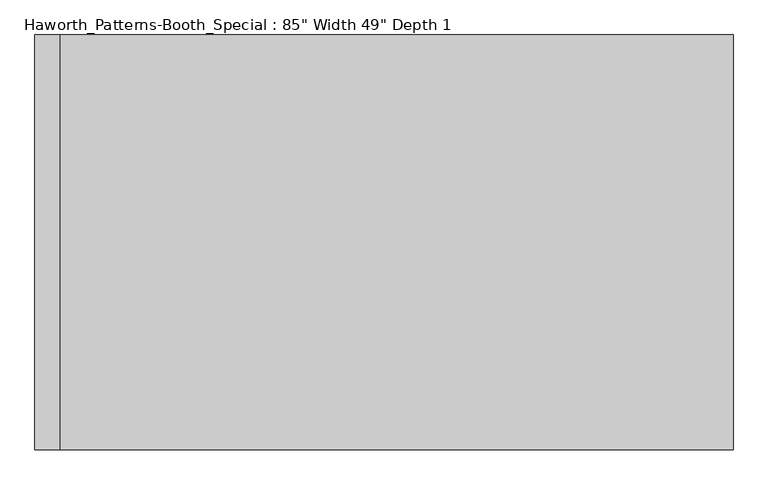
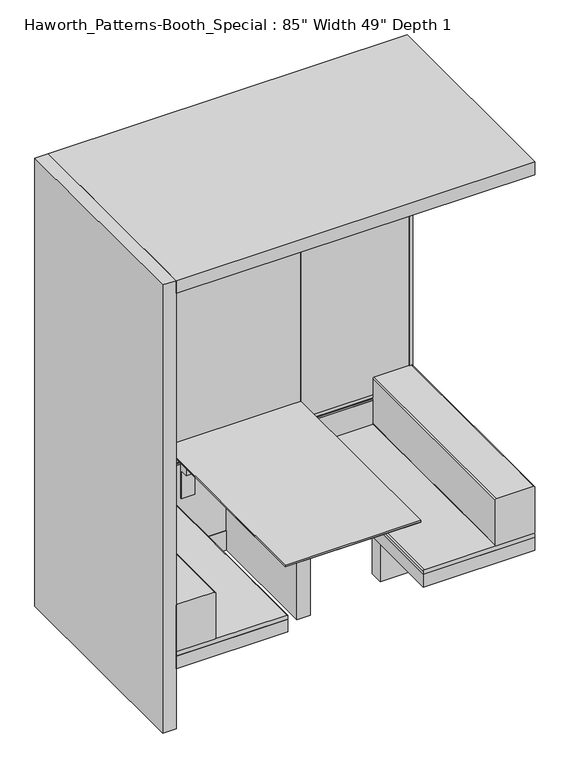
"""IFC4 building model written with IfcOpenShell, lengths in millimetres: furniture geometry."""

from ifc_helpers import new_model, si_unit, point, frame, frame_2d, origin, origin_with_axes, place, context, project, spatial, polyline, circle_curve, trimmed, segment, composite_curve, outline, extrude, faceted_brep, source, transform, mapped, element, save


def furniture_2e39aa74(model_context):
    return source(origin(), model_context, "Body", "SolidModel", [
        extrude(outline(polyline([(-141.6049558, 704.5452221), (-141.6049558, 706.6280165), (-49.5299513, 706.6280165), (-49.5299513, 396.8847862), (-57.6579518, 396.8847862), (-57.6579518, 564.8452221), (-105.409988, 564.8452221), (-105.409988, 704.5452221), (-141.6049558, 704.5452221)])), frame((219.075, 0.0, 0.0), z_axis=(1.0, 0.0, 0.0), x_axis=(0.0, 1.0, 0.0)), (0.0, 0.0, 1.0), 76.2),
        extrude(outline(polyline([(-141.6049558, 704.5452221), (-141.6049558, 706.6280165), (-49.5299513, 706.6280165), (-49.5299513, 396.8847862), (-57.6579518, 396.8847862), (-57.6579518, 564.8452221), (-105.409988, 564.8452221), (-105.409988, 704.5452221), (-141.6049558, 704.5452221)])), frame((-295.275, 0.0, 0.0), z_axis=(1.0, 0.0, 0.0), x_axis=(0.0, 1.0, 0.0)), (0.0, 0.0, 1.0), 76.2),
        extrude(outline(polyline([(-990.6, -20.9549513), (-990.6, -24.1299513), (-1009.65, -24.1299513), (-1009.65, -20.9549513), (-990.6, -20.9549513)])), frame((0.0, 0.0, 114.3046991), z_axis=(0.0, 0.0, 1.0), x_axis=(1.0, 0.0, 0.0)), (0.0, 0.0, 1.0), 485.7703251),
        extrude(outline(polyline([(-990.6, -49.5299513), (-990.6, -52.6872673), (-1009.65, -52.6872673), (-1009.65, -49.5299513), (-990.6, -49.5299513)])), frame((0.0, 0.0, 114.3046991), z_axis=(0.0, 0.0, 1.0), x_axis=(1.0, 0.0, 0.0)), (0.0, 0.0, 1.0), 485.7703251),
        extrude(outline(polyline([(990.6, -20.9549513), (1009.65, -20.9549513), (1009.65, -24.1299513), (990.6, -24.1299513), (990.6, -20.9549513)])), frame((0.0, 0.0, 114.3046991), z_axis=(0.0, 0.0, 1.0), x_axis=(1.0, 0.0, 0.0)), (0.0, 0.0, 1.0), 485.7703251),
        extrude(outline(polyline([(990.6, -49.5299513), (1009.65, -49.5299513), (1009.65, -52.6872673), (990.6, -52.6872673), (990.6, -49.5299513)])), frame((0.0, 0.0, 114.3046991), z_axis=(0.0, 0.0, 1.0), x_axis=(1.0, 0.0, 0.0)), (0.0, 0.0, 1.0), 485.7703251),
        extrude(outline(polyline([(-990.6, -49.5299513), (-990.6, -52.6872673), (-1009.65, -52.6872673), (-1009.65, -49.5299513), (-990.6, -49.5299513)])), frame((0.0, 0.0, 631.8250242), z_axis=(0.0, 0.0, 1.0), x_axis=(1.0, 0.0, 0.0)), (0.0, 0.0, 1.0), 1907.4130068),
        extrude(outline(polyline([(-990.6, -20.9726352), (-990.6, -24.1299513), (-1009.65, -24.1299513), (-1009.65, -20.9726352), (-990.6, -20.9726352)])), frame((0.0, 0.0, 631.8250242), z_axis=(0.0, 0.0, 1.0), x_axis=(1.0, 0.0, 0.0)), (0.0, 0.0, 1.0), 1907.4130068),
        extrude(outline(polyline([(990.6, -49.5299513), (1009.65, -49.5299513), (1009.65, -52.6872673), (990.6, -52.6872673), (990.6, -49.5299513)])), frame((0.0, 0.0, 631.8250242), z_axis=(0.0, 0.0, 1.0), x_axis=(1.0, 0.0, 0.0)), (0.0, 0.0, 1.0), 1907.4130068),
        extrude(outline(polyline([(990.6, -20.9726352), (1009.65, -20.9726352), (1009.65, -24.1299513), (990.6, -24.1299513), (990.6, -20.9726352)])), frame((0.0, 0.0, 631.8250242), z_axis=(0.0, 0.0, 1.0), x_axis=(1.0, 0.0, 0.0)), (0.0, 0.0, 1.0), 1907.4130068),
        extrude(outline(polyline([(-65.9775917, 2590.8), (-20.9726352, 2590.8), (-20.9726352, 2539.238031), (-54.1781535, 2539.238031), (-54.1781535, 2561.1519344), (-65.9775917, 2561.1519344), (-65.9775917, 2590.8)])), frame((-1009.65, 0.0, 0.0), z_axis=(1.0, 0.0, 0.0), x_axis=(0.0, 1.0, 0.0)), (0.0, 0.0, 1.0), 2019.3),
        extrude(outline(polyline([(-49.5299513, 615.170081), (-49.5299513, 631.8250242), (-23.0345427, 631.8250242), (-23.044073, 615.1586148), (-24.1362731, 615.1592394), (-24.1404749, 607.8111794), (-23.0482748, 607.8105549), (-23.0482748, 600.0750242), (-49.5299513, 600.0750242), (-49.5299513, 607.8220199), (-48.4377509, 607.8220199), (-48.4377509, 615.170081), (-49.5299513, 615.170081)])), frame((-1009.65, 0.0, 0.0), z_axis=(1.0, 0.0, 0.0), x_axis=(0.0, 1.0, 0.0)), (0.0, 0.0, 1.0), 2019.3),
        extrude(outline(polyline([(-1009.65, -52.6872673), (-1009.65, -20.9549513), (1009.65, -20.9549513), (1009.65, -52.6872673), (-1009.65, -52.6872673)])), origin_with_axes(), (0.0, 0.0, 1.0), 114.3),
        extrude(outline(polyline([(381.0, -24.1299513), (381.0, -49.5299513), (-381.0, -49.5299513), (-381.0, -24.1299513), (381.0, -24.1299513)])), frame((0.0, 0.0, 631.8250242), z_axis=(0.0, 0.0, 1.0), x_axis=(1.0, 0.0, 0.0)), (0.0, 0.0, 1.0), 1907.4130068),
        extrude(outline(polyline([(-381.0, -24.1299513), (-381.0, -49.5299513), (-1009.65, -49.5299513), (-1009.65, -24.1299513), (-381.0, -24.1299513)])), frame((0.0, 0.0, 631.8250242), z_axis=(0.0, 0.0, 1.0), x_axis=(1.0, 0.0, 0.0)), (0.0, 0.0, 1.0), 1907.4130068),
        extrude(outline(polyline([(381.0, -24.1299513), (1009.65, -24.1299513), (1009.65, -49.5299513), (381.0, -49.5299513), (381.0, -24.1299513)])), frame((0.0, 0.0, 631.8250242), z_axis=(0.0, 0.0, 1.0), x_axis=(1.0, 0.0, 0.0)), (0.0, 0.0, 1.0), 1907.4130068),
        extrude(outline(polyline([(1009.65, -24.1299513), (1009.65, -49.5299513), (-1009.65, -49.5299513), (-1009.65, -24.1299513), (1009.65, -24.1299513)])), frame((0.0, 0.0, 114.3), z_axis=(0.0, 0.0, 1.0), x_axis=(1.0, 0.0, 0.0)), (0.0, 0.0, 1.0), 485.7750242),
        faceted_brep([(381.0, -49.5299513, 727.0831633), (-381.0, -49.5299513, 727.0831633), (-381.0, -1219.2, 727.0831633), (381.0, -1219.2, 727.0831633), (336.55, -49.5299513, 706.6280165), (336.55, -1174.75, 706.6280165), (-336.55, -1174.75, 706.6280165), (-336.55, -49.5299513, 706.6280165)], [[[0, 1, 2, 3]], [[4, 5, 6, 7]], [[4, 7, 1, 0]], [[7, 6, 2, 1]], [[6, 5, 3, 2]], [[5, 4, 0, 3]]]),
        extrude(outline(polyline([(381.0, -49.5299513), (381.0, -1219.2), (-381.0, -1219.2), (-381.0, -49.5299513), (381.0, -49.5299513)])), frame((0.0, 0.0, 727.0831633), z_axis=(0.0, 0.0, 1.0), x_axis=(1.0, 0.0, 0.0)), (0.0, 0.0, 1.0), 9.516861),
        extrude(outline(polyline([(-38.1, -49.5299513), (38.1, -49.5299513), (38.1, -739.0129583), (-38.1, -739.0129583), (-38.1, -49.5299513)])), origin_with_axes(), (0.0, 0.0, 1.0), 706.6280165),
        extrude(outline(composite_curve([segment(polyline([(736.6000242, -793.7499939), (736.6000242, -1003.3)]), True, "CONTINUOUS"), segment(trimmed(circle_curve(frame_2d((730.2500242, -1003.3)), 6.35), [point((736.6000242, -1003.3))], [point((730.2500242, -1009.65))], False, "CARTESIAN"), True, "CONTINUOUS"), segment(polyline([(730.2500242, -1009.65), (463.5500008, -1009.65)]), True, "CONTINUOUS"), segment(trimmed(circle_curve(frame_2d((463.5500008, -1003.3)), 6.35), [point((463.5500008, -1009.65))], [point((457.2000008, -1003.3))], False, "CARTESIAN"), True, "CONTINUOUS"), segment(polyline([(457.2000008, -1003.3), (457.2000008, -793.7499939)]), True, "CONTINUOUS"), segment(trimmed(circle_curve(frame_2d((463.5500008, -793.7499939)), 6.35), [point((457.2000008, -793.7499939))], [point((463.5500008, -787.3999939))], False, "CARTESIAN"), True, "CONTINUOUS"), segment(polyline([(463.5500008, -787.3999939), (730.2500242, -787.3999939)]), True, "CONTINUOUS"), segment(trimmed(circle_curve(frame_2d((730.2500242, -793.7499939)), 6.35), [point((730.2500242, -787.3999939))], [point((736.6000242, -793.7499939))], False, "CARTESIAN"), True, "CONTINUOUS")], self_intersect=False)), frame((0.0, -1244.6, 0.0), z_axis=(0.0, 1.0, 0.0), x_axis=(0.0, 0.0, 1.0)), (0.0, 0.0, 1.0), 1195.0700487),
        extrude(outline(composite_curve([segment(trimmed(circle_curve(frame_2d((730.2500242, 793.7499939)), 6.35), [point((736.6000242, 793.7499939))], [point((730.2500242, 787.3999939))], False, "CARTESIAN"), True, "CONTINUOUS"), segment(polyline([(730.2500242, 787.3999939), (463.5500008, 787.3999939)]), True, "CONTINUOUS"), segment(trimmed(circle_curve(frame_2d((463.5500008, 793.7499939)), 6.35), [point((463.5500008, 787.3999939))], [point((457.2000008, 793.7499939))], False, "CARTESIAN"), True, "CONTINUOUS"), segment(polyline([(457.2000008, 793.7499939), (457.2000008, 1003.3)]), True, "CONTINUOUS"), segment(trimmed(circle_curve(frame_2d((463.5500008, 1003.3)), 6.35), [point((457.2000008, 1003.3))], [point((463.5500008, 1009.65))], False, "CARTESIAN"), True, "CONTINUOUS"), segment(polyline([(463.5500008, 1009.65), (730.2500242, 1009.65)]), True, "CONTINUOUS"), segment(trimmed(circle_curve(frame_2d((730.2500242, 1003.3)), 6.35), [point((730.2500242, 1009.65))], [point((736.6000242, 1003.3))], False, "CARTESIAN"), True, "CONTINUOUS"), segment(polyline([(736.6000242, 1003.3), (736.6000242, 793.7499939)]), True, "CONTINUOUS")], self_intersect=False)), frame((0.0, -1244.6, 0.0), z_axis=(0.0, 1.0, 0.0), x_axis=(0.0, 0.0, 1.0)), (0.0, 0.0, 1.0), 1195.0700487),
        extrude(outline(composite_curve([segment(polyline([(457.2000008, -387.35), (457.2000008, -1003.3)]), True, "CONTINUOUS"), segment(trimmed(circle_curve(frame_2d((450.8500008, -1003.3)), 6.35), [point((457.2000008, -1003.3))], [point((450.8500008, -1009.65))], False, "CARTESIAN"), True, "CONTINUOUS"), segment(polyline([(450.8500008, -1009.65), (431.7999879, -1009.65), (431.7999879, -381.0), (450.8500008, -381.0)]), True, "CONTINUOUS"), segment(trimmed(circle_curve(frame_2d((450.8500008, -387.35)), 6.35), [point((450.8500008, -381.0))], [point((457.2000008, -387.35))], False, "CARTESIAN"), True, "CONTINUOUS")], self_intersect=False)), frame((0.0, -1244.6, 0.0), z_axis=(0.0, 1.0, 0.0), x_axis=(0.0, 0.0, 1.0)), (0.0, 0.0, 1.0), 1195.0700487),
        extrude(outline(composite_curve([segment(trimmed(circle_curve(frame_2d((450.8500008, 387.35)), 6.35), [point((457.2000008, 387.35))], [point((450.8500008, 381.0))], False, "CARTESIAN"), True, "CONTINUOUS"), segment(polyline([(450.8500008, 381.0), (431.7999879, 381.0), (431.7999879, 1009.65), (450.8500008, 1009.65)]), True, "CONTINUOUS"), segment(trimmed(circle_curve(frame_2d((450.8500008, 1003.3)), 6.35), [point((450.8500008, 1009.65))], [point((457.2000008, 1003.3))], False, "CARTESIAN"), True, "CONTINUOUS"), segment(polyline([(457.2000008, 1003.3), (457.2000008, 387.35)]), True, "CONTINUOUS")], self_intersect=False)), frame((0.0, -1244.6, 0.0), z_axis=(0.0, 1.0, 0.0), x_axis=(0.0, 0.0, 1.0)), (0.0, 0.0, 1.0), 1195.0700487),
        extrude(outline(polyline([(-381.0, -1244.6), (-1009.65, -1244.6), (-1009.65, -49.5299513), (-381.0, -49.5299513), (-381.0, -1244.6)])), frame((0.0, 0.0, 355.5999879), z_axis=(0.0, 0.0, 1.0), x_axis=(1.0, 0.0, 0.0)), (0.0, 0.0, 1.0), 76.2),
        extrude(outline(polyline([(1009.65, -1244.6), (381.0, -1244.6), (381.0, -49.5299513), (1009.65, -49.5299513), (1009.65, -1244.6)])), frame((0.0, 0.0, 355.5999879), z_axis=(0.0, 0.0, 1.0), x_axis=(1.0, 0.0, 0.0)), (0.0, 0.0, 1.0), 76.2),
        extrude(outline(polyline([(-1009.65, -584.2), (-476.25, -584.2), (-476.25, -660.4), (-1009.65, -660.4), (-1009.65, -584.2)])), origin_with_axes(), (0.0, 0.0, 1.0), 355.5999879),
        extrude(outline(polyline([(476.25, -584.2), (1009.65, -584.2), (1009.65, -660.4), (476.25, -660.4), (476.25, -584.2)])), origin_with_axes(), (0.0, 0.0, 1.0), 355.5999879),
        extrude(outline(polyline([(1009.65, 0.0), (1009.65, -1244.6), (-1009.65, -1244.6), (-1009.65, 0.0), (1009.65, 0.0)])), frame((0.0, 0.0, 2590.8), z_axis=(0.0, 0.0, 1.0), x_axis=(1.0, 0.0, 0.0)), (0.0, 0.0, 1.0), 76.2),
        extrude(outline(polyline([(-1009.65, 0.0), (-1009.65, -1244.6), (-1085.85, -1244.6), (-1085.85, 0.0), (-1009.65, 0.0)])), origin_with_axes(), (0.0, 0.0, 1.0), 2667.0),
    ])


if __name__ == "__main__":
    model = new_model("IFC4")
    model_context = context("Model", 3, world=origin())
    ifc_project = project(units=[si_unit("LENGTHUNIT", "METRE", prefix="MILLI")], contexts=[model_context])
    site = spatial("IfcSite", under=ifc_project)
    building = spatial("IfcBuilding", under=site)
    placement = place(None, origin())
    furniture_shape = furniture_2e39aa74(model_context)
    element("IfcFurniture", 1, ObjectType="Haworth_Patterns-Booth_Special : 85\" Width 49\" Depth 1", at=placement, inside=building, context=model_context, shape_type="MappedRepresentation", body=[
        mapped(furniture_shape, transform((0.0, 0.0, 0.0), x_axis=(1.0, 0.0, 0.0), y_axis=(0.0, 1.0, 0.0), z_axis=(0.0, 0.0, 1.0))),
    ])
    save(model, "model.ifc")
